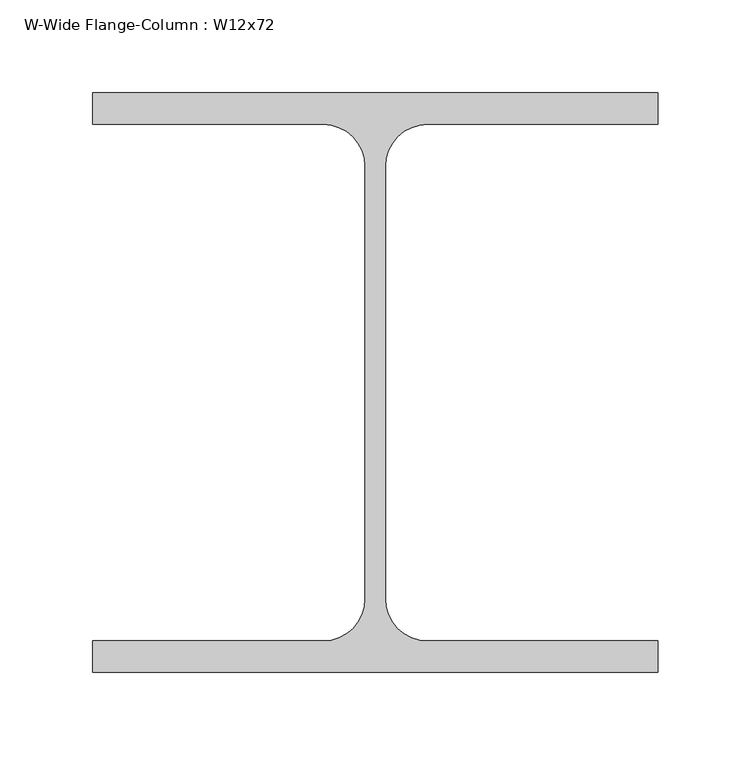
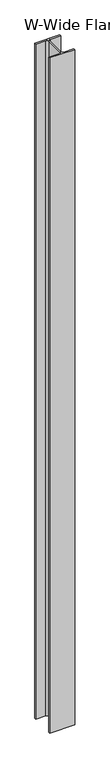
"""IFC4 building model written with IfcOpenShell, lengths in millimetres: column geometry, W-Wide Flange-Column : W12x72."""

from ifc_helpers import new_model, si_unit, point, frame, frame_2d, origin, place, context, project, spatial, polyline, circle_curve, trimmed, segment, composite_curve, outline, extrude, source, transform, mapped, element, save


def w_wide_flange_column_w12x72_733a1106(model_context):
    return source(origin(), model_context, "Body", "SweptSolid", [
        extrude(outline(composite_curve([segment(polyline([(152.4, 156.21), (152.4, 139.192), (28.1305, 139.192)]), True, "CONTINUOUS"), segment(trimmed(circle_curve(frame_2d((28.1305, 116.5225)), 22.6695), [point((28.1305, 139.192))], [point((5.461, 116.5225))], True, "CARTESIAN"), True, "CONTINUOUS"), segment(polyline([(5.461, 116.5225), (5.461, -116.5225)]), True, "CONTINUOUS"), segment(trimmed(circle_curve(frame_2d((28.1305, -116.5225)), 22.6695), [point((5.461, -116.5225))], [point((28.1305, -139.192))], True, "CARTESIAN"), True, "CONTINUOUS"), segment(polyline([(28.1305, -139.192), (152.4, -139.192), (152.4, -156.21), (-152.4, -156.21), (-152.4, -139.192), (-28.1305, -139.192)]), True, "CONTINUOUS"), segment(trimmed(circle_curve(frame_2d((-28.1305, -116.5225)), 22.6695), [point((-28.1305, -139.192))], [point((-5.461, -116.5225))], True, "CARTESIAN"), True, "CONTINUOUS"), segment(polyline([(-5.461, -116.5225), (-5.461, 116.5225)]), True, "CONTINUOUS"), segment(trimmed(circle_curve(frame_2d((-28.1305, 116.5225)), 22.6695), [point((-5.461, 116.5225))], [point((-28.1305, 139.192))], True, "CARTESIAN"), True, "CONTINUOUS"), segment(polyline([(-28.1305, 139.192), (-152.4, 139.192), (-152.4, 156.21), (152.4, 156.21)]), True, "CONTINUOUS")], self_intersect=False)), frame((0.0, 0.0, 5791.2), z_axis=(0.0, 0.0, 1.0), x_axis=(1.0, 0.0, 0.0)), (0.0, 0.0, 1.0), 8686.8),
    ])


if __name__ == "__main__":
    model = new_model("IFC4")
    model_context = context("Model", 3, world=origin())
    ifc_project = project(units=[si_unit("LENGTHUNIT", "METRE", prefix="MILLI")], contexts=[model_context])
    site = spatial("IfcSite", under=ifc_project)
    building = spatial("IfcBuilding", under=site)
    placement = place(None, origin())
    w_wide_flange_column_w12x72_shape = w_wide_flange_column_w12x72_733a1106(model_context)
    element("IfcColumn", 1, ObjectType="W-Wide Flange-Column : W12x72", at=placement, inside=building, context=model_context, shape_type="MappedRepresentation", body=[
        mapped(w_wide_flange_column_w12x72_shape, transform((0.0, 0.0, 0.0), x_axis=(1.0, 0.0, 0.0), y_axis=(0.0, 1.0, 0.0), z_axis=(0.0, 0.0, 1.0))),
    ])
    save(model, "model.ifc")
